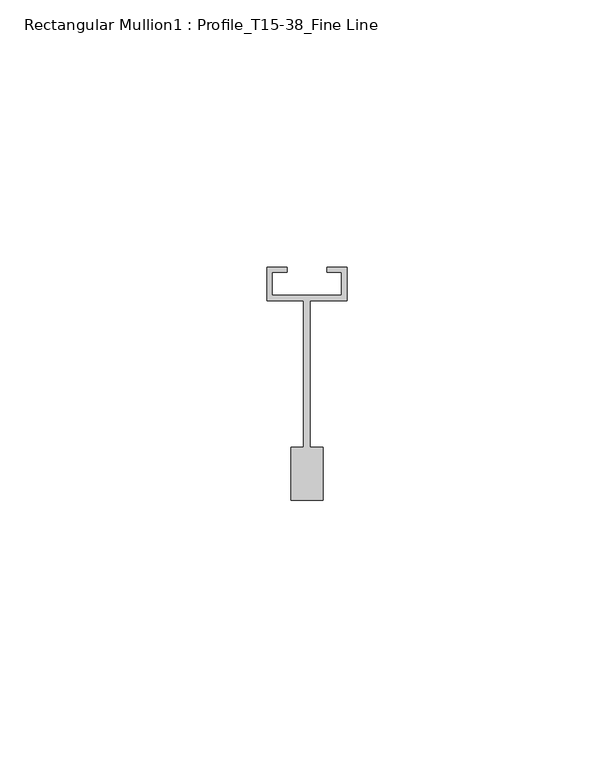
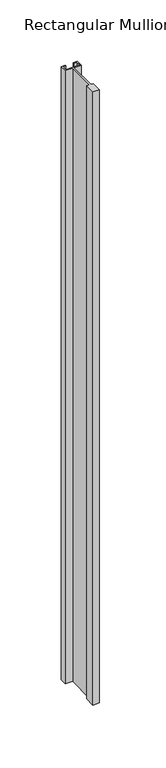
"""IFC4 building model written with IfcOpenShell, lengths in millimetres: member geometry, Rectangular Mullion1 : Profile_T15-38_Fine Line."""

from ifc_helpers import new_model, si_unit, frame, origin, place, context, project, spatial, polyline, outline, extrude, source, transform, mapped, element, save


def rectangular_mullion1_profile_t15_38_fine_line_c10d0205(model_context):
    return source(origin(), model_context, "Body", "SweptSolid", [
        extrude(outline(polyline([(-6.5, 2.7), (6.5, 2.7), (6.5, 7.0), (3.75, 7.0), (3.75, 8.0), (7.5, 8.0), (7.5, 1.7), (0.6, 1.7), (0.6, -25.7), (3.0, -25.7), (3.0, -35.7), (-3.0, -35.7), (-3.0, -25.7), (-0.6, -25.7), (-0.6, 1.7), (-7.5, 1.7), (-7.5, 8.0), (-3.75, 8.0), (-3.75, 7.0), (-6.5, 7.0), (-6.5, 2.7)])), frame((0.0, 0.0, -610.0), z_axis=(0.0, 0.0, 1.0), x_axis=(1.0, 0.0, 0.0)), (0.0, 0.0, 1.0), 610.0),
    ])


if __name__ == "__main__":
    model = new_model("IFC4")
    model_context = context("Model", 3, world=origin())
    ifc_project = project(units=[si_unit("LENGTHUNIT", "METRE", prefix="MILLI")], contexts=[model_context])
    site = spatial("IfcSite", under=ifc_project)
    building = spatial("IfcBuilding", under=site)
    placement = place(None, origin())
    rectangular_mullion1_profile_t15_38_fine_line_shape = rectangular_mullion1_profile_t15_38_fine_line_c10d0205(model_context)
    element("IfcMember", 1, ObjectType="Rectangular Mullion1 : Profile_T15-38_Fine Line", at=placement, inside=building, context=model_context, shape_type="MappedRepresentation", body=[
        mapped(rectangular_mullion1_profile_t15_38_fine_line_shape, transform((0.0, 0.0, 0.0), x_axis=(1.0, 0.0, 0.0), y_axis=(0.0, 1.0, 0.0), z_axis=(0.0, 0.0, 1.0))),
    ])
    save(model, "model.ifc")
